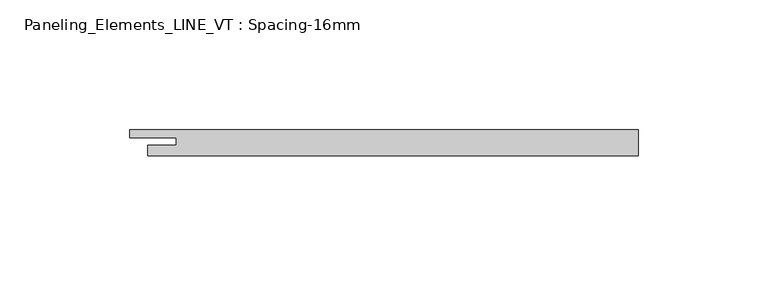
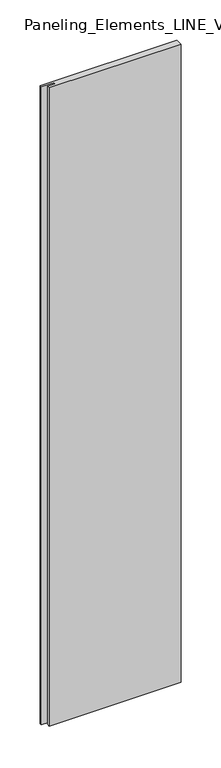
"""IFC4 building model written with IfcOpenShell, lengths in millimetres: plate geometry, Paneling_Elements_LINE_VT : Spacing-16mm."""

from ifc_helpers import new_model, si_unit, origin, origin_with_axes, place, context, project, spatial, polyline, outline, extrude, source, transform, mapped, element, save


def paneling_elements_line_vt_spacing_16mm_823a1f25(model_context):
    return source(origin(), model_context, "Body", "SweptSolid", [
        extrude(outline(polyline([(94.5, -5.0), (-94.5, -5.0), (-94.5, -1.0), (-83.5, -1.0), (-83.5, 2.0), (-101.5, 2.0), (-101.5, 5.0), (94.5, 5.0), (94.5, -5.0)])), origin_with_axes(), (0.0, 0.0, 1.0), 966.8),
    ])


if __name__ == "__main__":
    model = new_model("IFC4")
    model_context = context("Model", 3, world=origin())
    ifc_project = project(units=[si_unit("LENGTHUNIT", "METRE", prefix="MILLI")], contexts=[model_context])
    site = spatial("IfcSite", under=ifc_project)
    building = spatial("IfcBuilding", under=site)
    placement = place(None, origin())
    paneling_elements_line_vt_spacing_16mm_shape = paneling_elements_line_vt_spacing_16mm_823a1f25(model_context)
    element("IfcPlate", 1, ObjectType="Paneling_Elements_LINE_VT : Spacing-16mm", at=placement, inside=building, context=model_context, shape_type="MappedRepresentation", body=[
        mapped(paneling_elements_line_vt_spacing_16mm_shape, transform((0.0, 0.0, 0.0), x_axis=(1.0, 0.0, 0.0), y_axis=(0.0, 1.0, 0.0), z_axis=(0.0, 0.0, 1.0))),
    ])
    save(model, "model.ifc")
